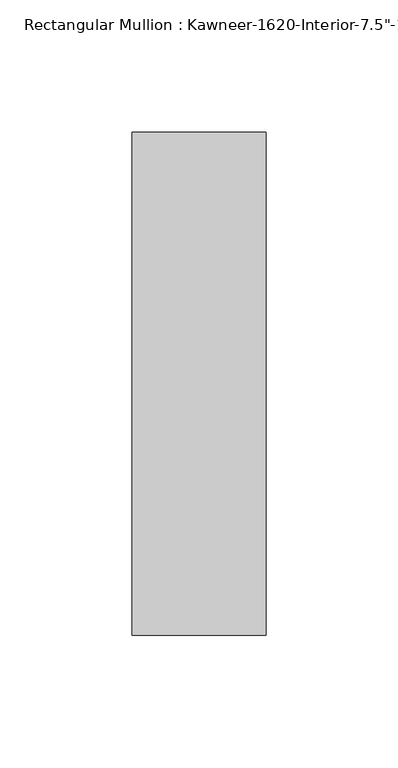
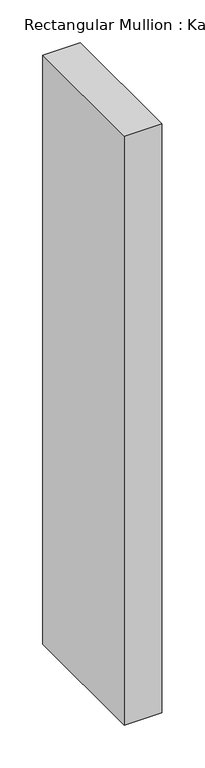
"""IFC4 building model written with IfcOpenShell, lengths in millimetres: member geometry."""

from ifc_helpers import new_model, si_unit, frame, origin, place, context, project, spatial, polyline, outline, extrude, source, transform, mapped, element, save


def member_7fd3ca59(model_context):
    return source(origin(), model_context, "Body", "SweptSolid", [
        extrude(outline(polyline([(25.4, -152.4), (-25.4, -152.4), (-25.4, 38.1), (25.4, 38.1), (25.4, -152.4)])), frame((0.0, 0.0, -841.375), z_axis=(0.0, 0.0, 1.0), x_axis=(1.0, 0.0, 0.0)), (0.0, 0.0, 1.0), 841.375),
    ])


if __name__ == "__main__":
    model = new_model("IFC4")
    model_context = context("Model", 3, world=origin())
    ifc_project = project(units=[si_unit("LENGTHUNIT", "METRE", prefix="MILLI")], contexts=[model_context])
    site = spatial("IfcSite", under=ifc_project)
    building = spatial("IfcBuilding", under=site)
    placement = place(None, origin())
    member_shape = member_7fd3ca59(model_context)
    element("IfcMember", 1, ObjectType="Rectangular Mullion : Kawneer-1620-Interior-7.5\"-1\"Infill", at=placement, inside=building, context=model_context, shape_type="MappedRepresentation", body=[
        mapped(member_shape, transform((0.0, 0.0, 0.0), x_axis=(1.0, 0.0, 0.0), y_axis=(0.0, 1.0, 0.0), z_axis=(0.0, 0.0, 1.0))),
    ])
    save(model, "model.ifc")
